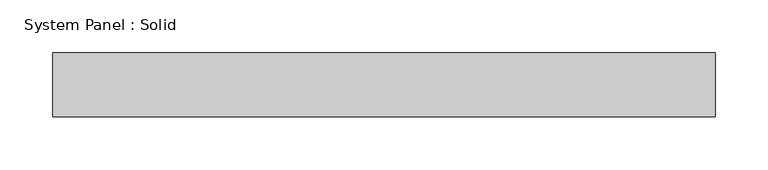
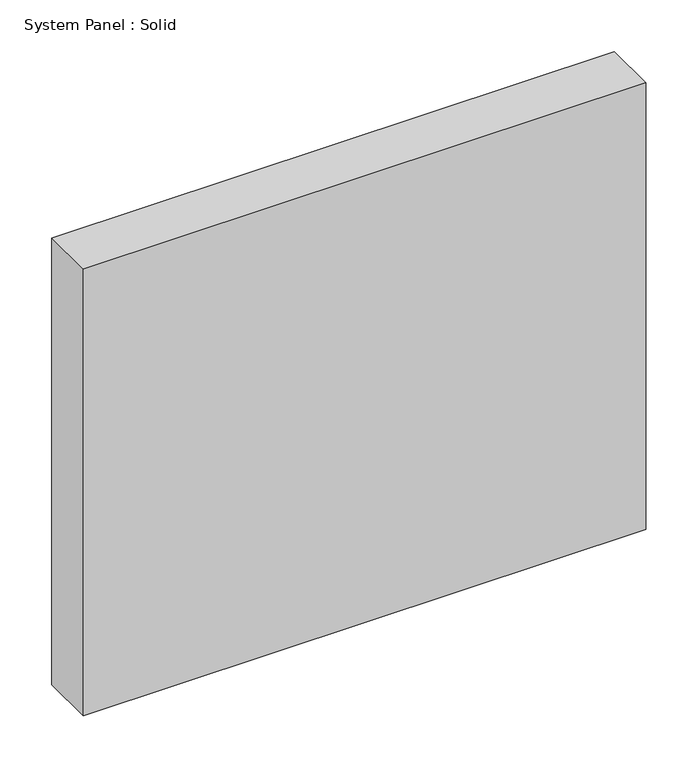
"""IFC4 building model written with IfcOpenShell, lengths in millimetres: plate geometry, System Panel : Solid."""

from ifc_helpers import new_model, si_unit, origin, origin_with_axes, place, context, project, spatial, polyline, outline, extrude, source, transform, mapped, element, save


def system_panel_solid_6c1ca1fa(model_context):
    return source(origin(), model_context, "Body", "SweptSolid", [
        extrude(outline(polyline([(312.5, -10.5), (-312.5, -10.5), (-312.5, 49.5), (312.5, 49.5), (312.5, -10.5)])), origin_with_axes(), (0.0, 0.0, 1.0), 525.0),
    ])


if __name__ == "__main__":
    model = new_model("IFC4")
    model_context = context("Model", 3, world=origin())
    ifc_project = project(units=[si_unit("LENGTHUNIT", "METRE", prefix="MILLI")], contexts=[model_context])
    site = spatial("IfcSite", under=ifc_project)
    building = spatial("IfcBuilding", under=site)
    placement = place(None, origin())
    system_panel_solid_shape = system_panel_solid_6c1ca1fa(model_context)
    element("IfcPlate", 1, ObjectType="System Panel : Solid", at=placement, inside=building, context=model_context, shape_type="MappedRepresentation", body=[
        mapped(system_panel_solid_shape, transform((0.0, 0.0, 0.0), x_axis=(1.0, 0.0, 0.0), y_axis=(0.0, 1.0, 0.0), z_axis=(0.0, 0.0, 1.0))),
    ])
    save(model, "model.ifc")
